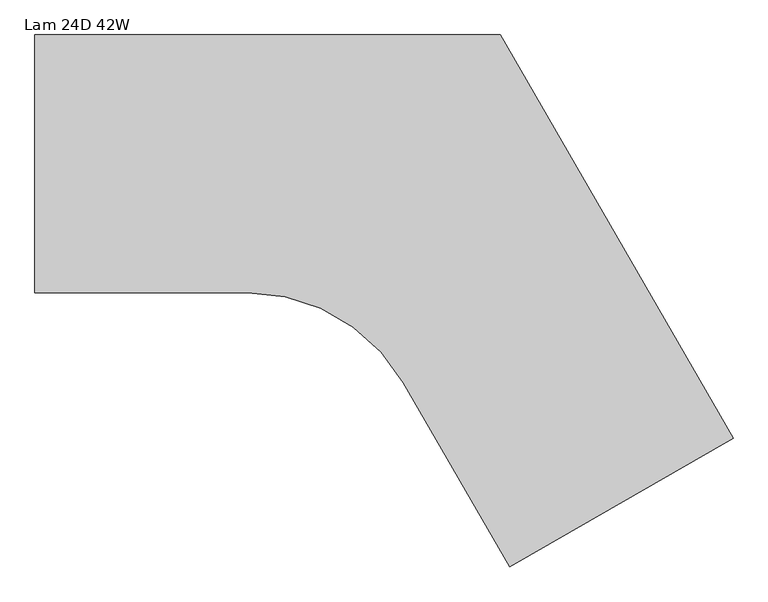
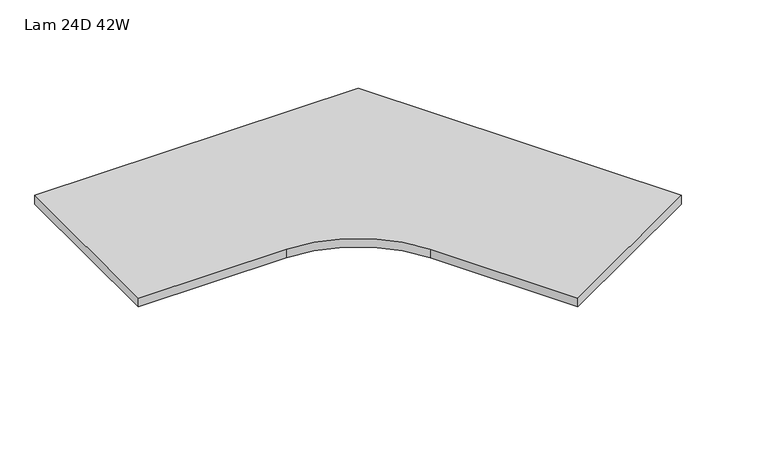
"""IFC4 building model written with IfcOpenShell, lengths in millimetres: furniture geometry, Lam 24D 42W."""

from ifc_helpers import new_model, si_unit, point, frame, frame_2d, origin, place, context, project, spatial, polyline, circle_curve, trimmed, segment, composite_curve, outline, extrude, source, transform, mapped, element, save


def lam_24d_42w_cfb5ae30(model_context):
    return source(origin(), model_context, "Body", "SweptSolid", [
        extrude(outline(composite_curve([segment(polyline([(598.34018, -25.4), (1125.35208, -938.211387), (619.4200391, -1230.311387), (378.3740391, -812.807468)]), True, "CONTINUOUS"), segment(trimmed(circle_curve(frame_2d((26.40838, -1016.0149361)), 406.4149361), [point((378.3740391, -812.807468))], [point((26.40838, -609.6))], True, "CARTESIAN"), True, "CONTINUOUS"), segment(polyline([(26.40838, -609.6), (-455.68362, -609.6), (-455.68362, -25.4), (598.34018, -25.4)]), True, "CONTINUOUS")], self_intersect=False)), frame((0.0, 0.0, 706.7296), z_axis=(0.0, 0.0, 1.0), x_axis=(1.0, 0.0, 0.0)), (0.0, 0.0, 1.0), 29.8704),
    ])


if __name__ == "__main__":
    model = new_model("IFC4")
    model_context = context("Model", 3, world=origin())
    ifc_project = project(units=[si_unit("LENGTHUNIT", "METRE", prefix="MILLI")], contexts=[model_context])
    site = spatial("IfcSite", under=ifc_project)
    building = spatial("IfcBuilding", under=site)
    placement = place(None, origin())
    lam_24d_42w_shape = lam_24d_42w_cfb5ae30(model_context)
    element("IfcFurniture", 1, ObjectType="Lam 24D 42W", at=placement, inside=building, context=model_context, shape_type="MappedRepresentation", body=[
        mapped(lam_24d_42w_shape, transform((0.0, 0.0, 0.0), x_axis=(1.0, 0.0, 0.0), y_axis=(0.0, 1.0, 0.0), z_axis=(0.0, 0.0, 1.0))),
    ])
    save(model, "model.ifc")
